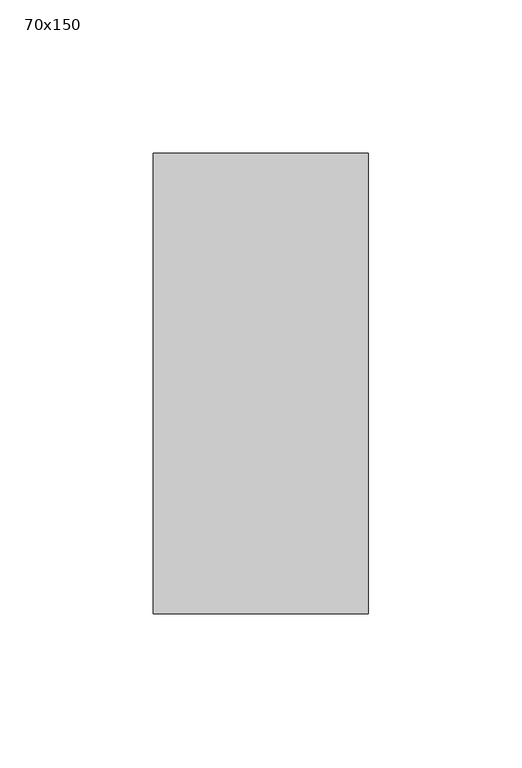
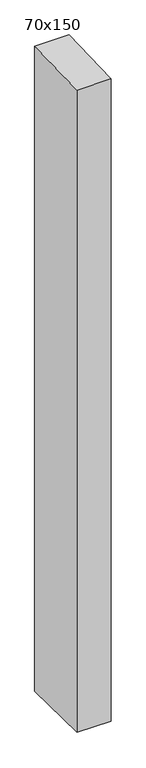
"""IFC4 building model written with IfcOpenShell, lengths in millimetres: member geometry, 70x150."""

from ifc_helpers import new_model, si_unit, frame, origin, place, context, project, spatial, polyline, outline, extrude, source, transform, mapped, element, save


def member_70x150_fafe4a5a(model_context):
    return source(origin(), model_context, "Body", "SweptSolid", [
        extrude(outline(polyline([(-75.0, -1.8591782), (75.0, 1.8591782), (75.0, -1393.0338973), (-75.0, -1391.5215645), (-75.0, -1.8591782)])), frame((-35.0, 0.0, 0.0), z_axis=(1.0, 0.0, 0.0), x_axis=(0.0, 1.0, 0.0)), (0.0, 0.0, 1.0), 70.0),
    ])


if __name__ == "__main__":
    model = new_model("IFC4")
    model_context = context("Model", 3, world=origin())
    ifc_project = project(units=[si_unit("LENGTHUNIT", "METRE", prefix="MILLI")], contexts=[model_context])
    site = spatial("IfcSite", under=ifc_project)
    building = spatial("IfcBuilding", under=site)
    placement = place(None, origin())
    member_70x150_shape = member_70x150_fafe4a5a(model_context)
    element("IfcMember", 1, ObjectType="70x150", at=placement, inside=building, context=model_context, shape_type="MappedRepresentation", body=[
        mapped(member_70x150_shape, transform((0.0, 0.0, 0.0), x_axis=(1.0, 0.0, 0.0), y_axis=(0.0, 1.0, 0.0), z_axis=(0.0, 0.0, 1.0))),
    ])
    save(model, "model.ifc")
